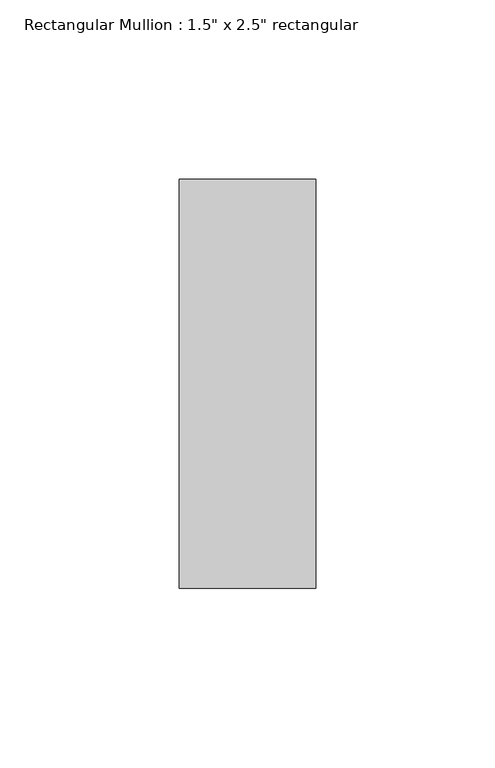
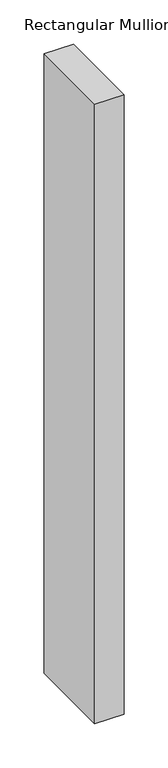
"""IFC4 building model written with IfcOpenShell, lengths in millimetres: member geometry."""

from ifc_helpers import new_model, si_unit, frame, origin, place, context, project, spatial, polyline, outline, extrude, source, transform, mapped, element, save


def member_267ccec7(model_context):
    return source(origin(), model_context, "Body", "SweptSolid", [
        extrude(outline(polyline([(19.05, 57.15), (19.05, -57.15), (-19.05, -57.15), (-19.05, 57.15), (19.05, 57.15)])), frame((0.0, 0.0, -853.5329268), z_axis=(0.0, 0.0, 1.0), x_axis=(1.0, 0.0, 0.0)), (0.0, 0.0, 1.0), 853.5329268),
    ])


if __name__ == "__main__":
    model = new_model("IFC4")
    model_context = context("Model", 3, world=origin())
    ifc_project = project(units=[si_unit("LENGTHUNIT", "METRE", prefix="MILLI")], contexts=[model_context])
    site = spatial("IfcSite", under=ifc_project)
    building = spatial("IfcBuilding", under=site)
    placement = place(None, origin())
    member_shape = member_267ccec7(model_context)
    element("IfcMember", 1, ObjectType="Rectangular Mullion : 1.5\" x 2.5\" rectangular", at=placement, inside=building, context=model_context, shape_type="MappedRepresentation", body=[
        mapped(member_shape, transform((0.0, 0.0, 0.0), x_axis=(1.0, 0.0, 0.0), y_axis=(0.0, 1.0, 0.0), z_axis=(0.0, 0.0, 1.0))),
    ])
    save(model, "model.ifc")
